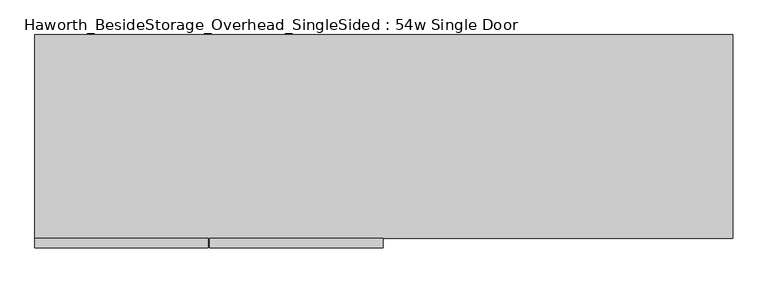
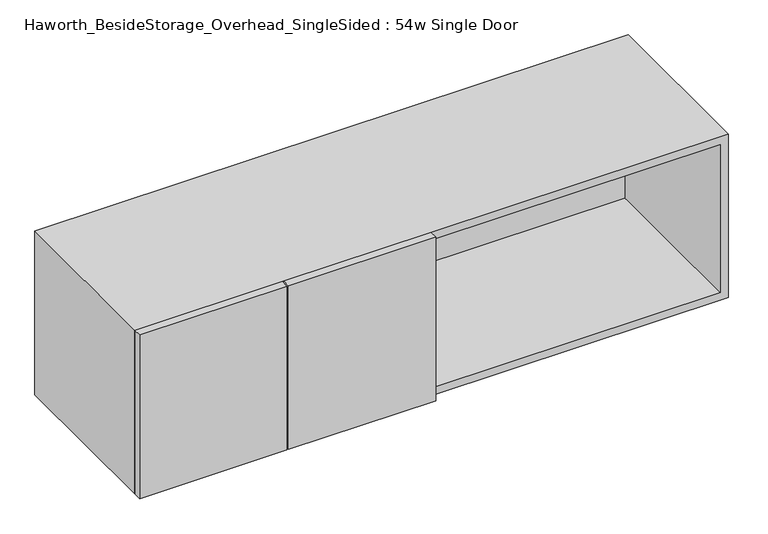
"""IFC4 building model written with IfcOpenShell, lengths in millimetres: furniture geometry, Haworth_BesideStorage_Overhead_SingleSided : 54w Single Door."""

from ifc_helpers import new_model, si_unit, frame, origin, place, context, project, spatial, polyline, outline, extrude, source, transform, mapped, element, save


def haworth_besidestorage_overhead_singlesided_54w_single_door_cd8efeae(model_context):
    return source(origin(), model_context, "Body", "SweptSolid", [
        extrude(outline(polyline([(-177.00625, -419.1), (-177.00625, -400.05), (163.5125, -400.05), (163.5125, -419.1), (-177.00625, -419.1)])), frame((0.0, 0.0, 762.0), z_axis=(0.0, 0.0, 1.0), x_axis=(1.0, 0.0, 0.0)), (0.0, 0.0, 1.0), 400.05),
        extrude(outline(polyline([(-180.18125, -419.1), (-520.7, -419.1), (-520.7, -400.05), (-180.18125, -400.05), (-180.18125, -419.1)])), frame((0.0, 0.0, 762.0), z_axis=(0.0, 0.0, 1.0), x_axis=(1.0, 0.0, 0.0)), (0.0, 0.0, 1.0), 400.05),
        extrude(outline(polyline([(174.625, -400.05), (155.575, -400.05), (155.575, -19.05), (174.625, -19.05), (174.625, -400.05)])), frame((0.0, 0.0, 781.05), z_axis=(0.0, 0.0, 1.0), x_axis=(1.0, 0.0, 0.0)), (0.0, 0.0, 1.0), 361.95),
        extrude(outline(polyline([(831.85, -19.05), (-501.65, -19.05), (-501.65, 0.0), (831.85, 0.0), (831.85, -19.05)])), frame((0.0, 0.0, 781.05), z_axis=(0.0, 0.0, 1.0), x_axis=(1.0, 0.0, 0.0)), (0.0, 0.0, 1.0), 361.95),
        extrude(outline(polyline([(762.0, 850.9), (1162.05, 850.9), (1162.05, -520.7), (762.0, -520.7), (762.0, 850.9)]), holes=[polyline([(1143.0, 831.85), (781.05, 831.85), (781.05, -501.65), (1143.0, -501.65), (1143.0, 831.85)])]), frame((0.0, -400.05, 0.0), z_axis=(0.0, 1.0, 0.0), x_axis=(0.0, 0.0, 1.0)), (0.0, 0.0, 1.0), 400.05),
    ])


if __name__ == "__main__":
    model = new_model("IFC4")
    model_context = context("Model", 3, world=origin())
    ifc_project = project(units=[si_unit("LENGTHUNIT", "METRE", prefix="MILLI")], contexts=[model_context])
    site = spatial("IfcSite", under=ifc_project)
    building = spatial("IfcBuilding", under=site)
    placement = place(None, origin())
    haworth_besidestorage_overhead_singlesided_54w_single_door_shape = haworth_besidestorage_overhead_singlesided_54w_single_door_cd8efeae(model_context)
    element("IfcFurniture", 1, ObjectType="Haworth_BesideStorage_Overhead_SingleSided : 54w Single Door", at=placement, inside=building, context=model_context, shape_type="MappedRepresentation", body=[
        mapped(haworth_besidestorage_overhead_singlesided_54w_single_door_shape, transform((0.0, 0.0, 0.0), x_axis=(1.0, 0.0, 0.0), y_axis=(0.0, 1.0, 0.0), z_axis=(0.0, 0.0, 1.0))),
    ])
    save(model, "model.ifc")
